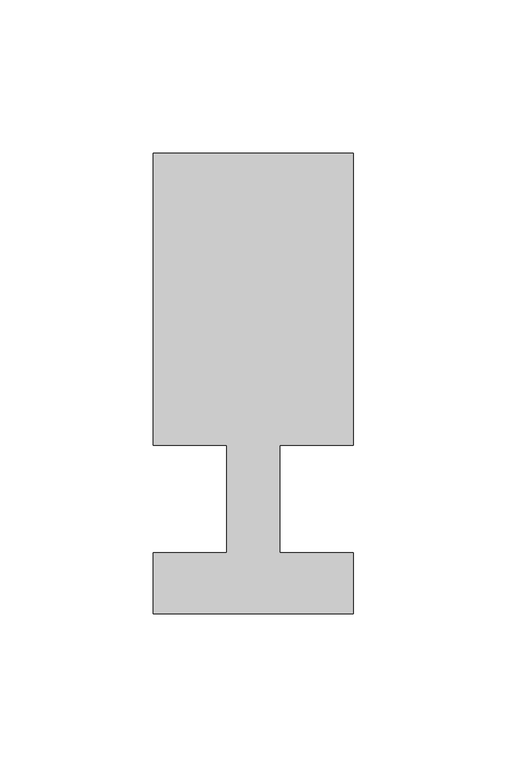
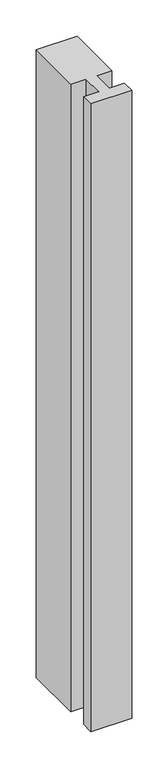
"""IFC4 building model written with IfcOpenShell, lengths in millimetres: member geometry."""

from ifc_helpers import new_model, si_unit, frame, origin, place, context, project, spatial, polyline, outline, extrude, source, transform, mapped, element, save


def member_753b2d30(model_context):
    return source(origin(), model_context, "Body", "SweptSolid", [
        extrude(outline(polyline([(0.0, -37.0), (-65.0, -37.0), (-65.0, -17.0), (-41.1875, -17.0), (-41.1875, 18.0), (-65.0, 18.0), (-65.0, 113.0), (0.0, 113.0), (0.0, 18.0), (-23.8125, 18.0), (-23.8125, -17.0), (0.0, -17.0), (0.0, -37.0)])), frame((0.0, 0.0, -1055.0), z_axis=(0.0, 0.0, 1.0), x_axis=(1.0, 0.0, 0.0)), (0.0, 0.0, 1.0), 1055.0),
    ])


if __name__ == "__main__":
    model = new_model("IFC4")
    model_context = context("Model", 3, world=origin())
    ifc_project = project(units=[si_unit("LENGTHUNIT", "METRE", prefix="MILLI")], contexts=[model_context])
    site = spatial("IfcSite", under=ifc_project)
    building = spatial("IfcBuilding", under=site)
    placement = place(None, origin())
    member_shape = member_753b2d30(model_context)
    element("IfcMember", 1, at=placement, inside=building, context=model_context, shape_type="MappedRepresentation", body=[
        mapped(member_shape, transform((0.0, 0.0, 0.0), x_axis=(1.0, 0.0, 0.0), y_axis=(0.0, 1.0, 0.0), z_axis=(0.0, 0.0, 1.0))),
    ])
    save(model, "model.ifc")
